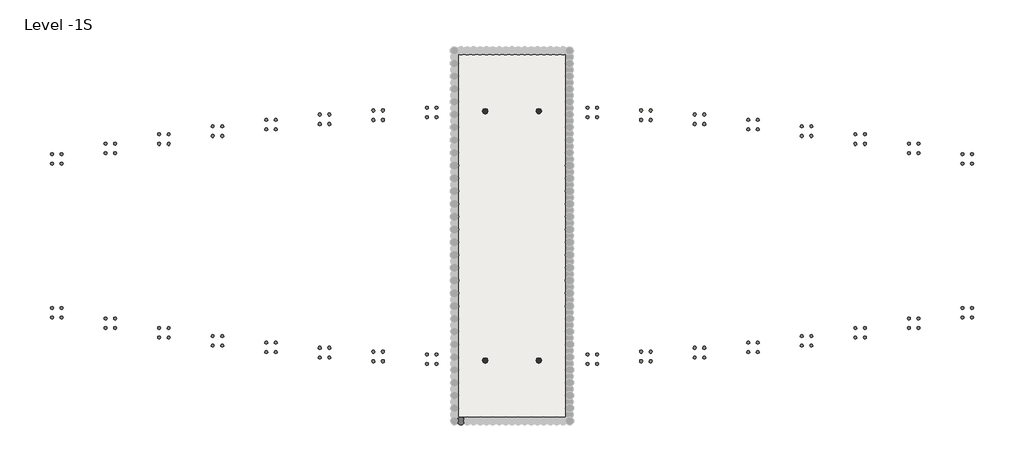
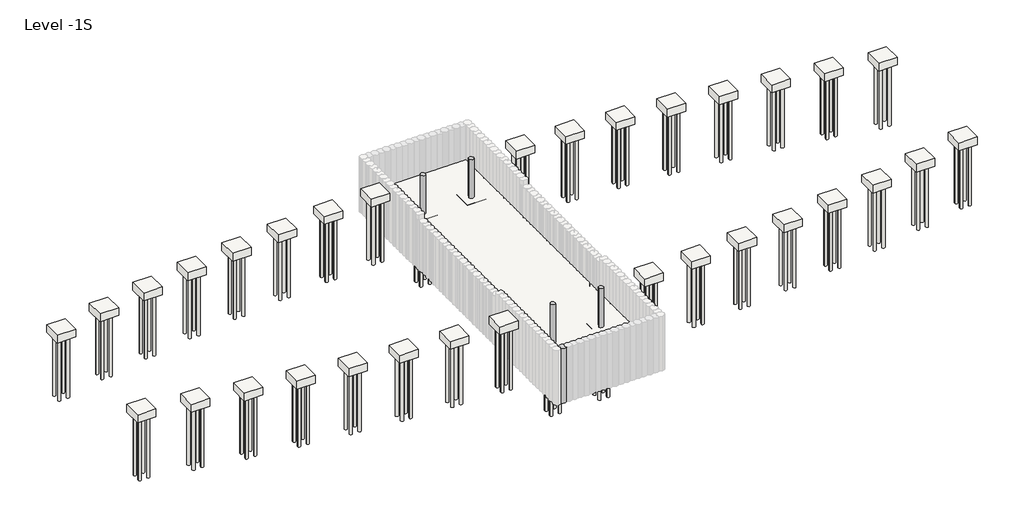
# One storey, part 4 of 5: 37 slabs, 4 columns, 1 proxy.
"""IFC4 building model written with IfcOpenShell, lengths in millimetres."""

import ifcopenshell
import ifcopenshell.guid

model = None  # the IFC model being written
_history = None  # IfcOwnerHistory: only IFC2X3 demands one
_inside = {}  # id of a spatial element -> (the spatial element, [elements in it])
_under = {}  # id of a project, library or spatial element -> (it, [spatial elements below it])
_declared = {}  # id of a project -> (the project, [libraries it declares])
_typed = {}  # id of a type object -> (the type object, [elements of that type])
_made_of = {}  # id of a material, layer set ... -> (it, [elements and type objects made of it])


def new_model(schema):
    """Start an empty IFC model of exactly this schema.

    Asked for "IFC4X3", IfcOpenShell would pick the latest addendum, in which some entities
    have other attributes; the version numbers below select the first issue.
    IFC2X3 requires an IfcOwnerHistory on every rooted entity: one is made here for all.
    """
    global model, _history
    if schema == "IFC4X3":
        model = ifcopenshell.file(schema_version=(4, 3, 0, 0))
    else:
        model = ifcopenshell.file(schema=schema)
    _inside.clear()
    _under.clear()
    _declared.clear()
    _typed.clear()
    _made_of.clear()
    _history = None
    if model.schema == "IFC2X3":
        org = make("IfcOrganization", Name="unknown")
        user = make(
            "IfcPersonAndOrganization",
            ThePerson=make("IfcPerson", FamilyName="unknown"),
            TheOrganization=org,
        )
        app = make(
            "IfcApplication",
            ApplicationDeveloper=org,
            Version="unknown",
            ApplicationFullName="unknown",
            ApplicationIdentifier="unknown",
        )
        _history = make(
            "IfcOwnerHistory",
            OwningUser=user,
            OwningApplication=app,
            ChangeAction="ADDED",
            CreationDate=0,
        )
    return model


def make(cls, **values):
    """One entity of the class cls with the attributes given. An attribute that is None is left unset."""
    return model.create_entity(
        cls, **{name: value for name, value in values.items() if value is not None}
    )


def rooted(cls, **values):
    """An entity with a GlobalId (a new one), such as an element, a storey or a relation."""
    return make(cls, GlobalId=ifcopenshell.guid.new(), OwnerHistory=_history, **values)


def si_unit(unit_type, name, prefix=None):
    """IfcSIUnit, for example si_unit("LENGTHUNIT", "METRE", prefix="MILLI")."""
    return make("IfcSIUnit", UnitType=unit_type, Prefix=prefix, Name=name)


def assignment(units):
    """IfcUnitAssignment: the units of a project."""
    return None if units is None else make("IfcUnitAssignment", Units=units)


def point(xyz):
    """IfcCartesianPoint."""
    return None if xyz is None else make("IfcCartesianPoint", Coordinates=xyz)


def direction(xyz):
    """IfcDirection."""
    return None if xyz is None else make("IfcDirection", DirectionRatios=xyz)


def frame(location, z_axis=None, x_axis=None):
    """IfcAxis2Placement3D, a coordinate frame: its origin and axes. An axis left out is left unset."""
    return make(
        "IfcAxis2Placement3D",
        Location=point(location),
        Axis=direction(z_axis),
        RefDirection=direction(x_axis),
    )


def frame_2d(location, x_axis=None):
    """IfcAxis2Placement2D, a coordinate frame in the plane: its origin and x axis."""
    return make(
        "IfcAxis2Placement2D", Location=point(location), RefDirection=direction(x_axis)
    )


def origin():
    """The frame at (0, 0, 0) with its axes left unset."""
    return frame((0.0, 0.0, 0.0))


def origin_2d():
    """The frame at (0, 0) in the plane with its x axis left unset."""
    return frame_2d((0.0, 0.0))


def place(relative_to, where):
    """IfcLocalPlacement: puts the frame where relative to a parent placement (None: the world)."""
    return make(
        "IfcLocalPlacement", PlacementRelTo=relative_to, RelativePlacement=where
    )


def context(
    kind, dimensions, precision=None, world=None, true_north=None, identifier=None
):
    """IfcGeometricRepresentationContext, for example the 3D "Model" context."""
    return make(
        "IfcGeometricRepresentationContext",
        ContextIdentifier=identifier,
        ContextType=kind,
        CoordinateSpaceDimension=dimensions,
        Precision=precision,
        WorldCoordinateSystem=world,
        TrueNorth=true_north,
    )


def project(units=None, contexts=None):
    """IfcProject with its units and contexts."""
    return rooted(
        "IfcProject",
        Name="project",
        RepresentationContexts=contexts,
        UnitsInContext=assignment(units),
    )


def spatial(cls, under=None, at=None, **own):
    """A site, building, storey or space (cls), placed at a placement, below another one or the project."""
    s = rooted(cls, ObjectPlacement=at, **own)
    if under is not None:
        _under.setdefault(under.id(), (under, []))[1].append(s)
    return s


def polyline(points):
    """IfcPolyline through the points."""
    return make("IfcPolyline", Points=[point(p) for p in points])


def circle_curve(where, radius):
    """IfcCircle in the frame where."""
    return make("IfcCircle", Position=where, Radius=radius)


def trimmed(basis, trim1, trim2, sense, master):
    """IfcTrimmedCurve: the piece of a basis curve between two trims."""
    return make(
        "IfcTrimmedCurve",
        BasisCurve=basis,
        Trim1=trim1,
        Trim2=trim2,
        SenseAgreement=sense,
        MasterRepresentation=master,
    )


def segment(curve, same_sense, transition):
    """IfcCompositeCurveSegment."""
    return make(
        "IfcCompositeCurveSegment",
        Transition=transition,
        SameSense=same_sense,
        ParentCurve=curve,
    )


def composite_curve(segments, self_intersect=None):
    """IfcCompositeCurve: segments joined end to end."""
    return make("IfcCompositeCurve", Segments=segments, SelfIntersect=self_intersect)


def outline(outer, holes=None, kind="AREA"):
    """IfcArbitraryClosedProfileDef: a profile drawn as a closed curve; with holes, ...WithVoids."""
    if holes is None:
        return make("IfcArbitraryClosedProfileDef", ProfileType=kind, OuterCurve=outer)
    return make(
        "IfcArbitraryProfileDefWithVoids",
        ProfileType=kind,
        OuterCurve=outer,
        InnerCurves=holes,
    )


def extrude(swept, where, along, depth):
    """IfcExtrudedAreaSolid: the profile swept, set in the frame where, extruded along a direction by depth."""
    return make(
        "IfcExtrudedAreaSolid",
        SweptArea=swept,
        Position=where,
        ExtrudedDirection=direction(along),
        Depth=depth,
    )


def shape(context_of_items, identifier, shape_type, items):
    """IfcShapeRepresentation: the items that make up one representation, for example the "Body"."""
    return make(
        "IfcShapeRepresentation",
        ContextOfItems=context_of_items,
        RepresentationIdentifier=identifier,
        RepresentationType=shape_type,
        Items=items,
    )


def source(mapping_origin, context_of_items, identifier, shape_type, items):
    """IfcRepresentationMap: a shape defined once, which mapped items show again and again."""
    return make(
        "IfcRepresentationMap",
        MappingOrigin=mapping_origin,
        MappedRepresentation=shape(context_of_items, identifier, shape_type, items),
    )


def transform(
    local_origin,
    x_axis=None,
    y_axis=None,
    z_axis=None,
    scale=None,
    scale2=None,
    scale3=None,
    uniform=True,
):
    """IfcCartesianTransformationOperator3D, or its non-uniform kind. x_axis, y_axis, z_axis: its Axis1, 2, 3."""
    if uniform:
        return make(
            "IfcCartesianTransformationOperator3D",
            Axis1=direction(x_axis),
            Axis2=direction(y_axis),
            LocalOrigin=point(local_origin),
            Scale=scale,
            Axis3=direction(z_axis),
        )
    return make(
        "IfcCartesianTransformationOperator3DnonUniform",
        Axis1=direction(x_axis),
        Axis2=direction(y_axis),
        LocalOrigin=point(local_origin),
        Scale=scale,
        Axis3=direction(z_axis),
        Scale2=scale2,
        Scale3=scale3,
    )


def mapped(mapping_source, mapping_target):
    """IfcMappedItem: shows the shape of a source again, moved by a transform."""
    return make(
        "IfcMappedItem", MappingSource=mapping_source, MappingTarget=mapping_target
    )


def made_of(thing, what):
    """Note that an element or type object is made of a material, layer set ...; save() writes the relation."""
    if what is not None:
        _made_of.setdefault(what.id(), (what, []))[1].append(thing)
    return thing


def element(
    cls,
    number,
    at=None,
    inside=None,
    cuts=None,
    type_object=None,
    material=None,
    context=None,
    identifier="Body",
    shape_type=None,
    held_by="IfcProductDefinitionShape",
    body=None,
    shapes=None,
    **own,
):
    """One element of the class cls, such as IfcWall. Its Tag is "e" and its number.

    at: its placement. inside: the storey or other place that contains it. cuts: it is an
    opening in that element (IfcRelVoidsElement). A single representation is given by context,
    identifier, shape_type and body (its items); several are given by shapes. held_by: the class
    of the entity that holds the representations. save() writes the other relations.
    """
    e = rooted(cls, Tag="e%d" % number, ObjectPlacement=at, **own)
    if body is not None:
        shapes = [shape(context, identifier, shape_type, body)]
    if shapes is not None:
        e.Representation = make(held_by, Representations=shapes)
    if inside is not None:
        _inside.setdefault(inside.id(), (inside, []))[1].append(e)
    if cuts is not None:
        rooted(
            "IfcRelVoidsElement", RelatingBuildingElement=cuts, RelatedOpeningElement=e
        )
    if type_object is not None:
        _typed.setdefault(type_object.id(), (type_object, []))[1].append(e)
    return made_of(e, material)


def aggregate(whole, parts):
    """IfcRelAggregates: a whole, such as a stair, and the parts it consists of."""
    return rooted("IfcRelAggregates", RelatingObject=whole, RelatedObjects=parts)


def save(model, path):
    """Write the relations noted so far, then the file.

    IfcRelAggregates (storeys below a building ...), IfcRelContainedInSpatialStructure (elements
    in a storey), IfcRelDefinesByType, IfcRelAssociatesMaterial and IfcRelDeclares: one each for
    every whole, place, type object, material and project.
    """
    for whole, parts in _under.values():
        aggregate(whole, parts)
    for where, things in _inside.values():
        rooted(
            "IfcRelContainedInSpatialStructure",
            RelatedElements=things,
            RelatingStructure=where,
        )
    for kind, things in _typed.values():
        rooted("IfcRelDefinesByType", RelatedObjects=things, RelatingType=kind)
    for what, things in _made_of.values():
        rooted("IfcRelAssociatesMaterial", RelatedObjects=things, RelatingMaterial=what)
    for by, libraries in _declared.values():
        rooted("IfcRelDeclares", RelatingContext=by, RelatedDefinitions=libraries)
    model.write(path)


def plane_surface(at):
    """IfcPlane: the flat surface through the origin of the frame at, square to its z axis."""
    return make("IfcPlane", Position=at)


def revolved_surface(curve, axis_point, axis_direction):
    """IfcSurfaceOfRevolution: the curve turned about the line through axis_point along axis_direction."""
    return make(
        "IfcSurfaceOfRevolution",
        SweptCurve=make("IfcArbitraryOpenProfileDef", ProfileType="CURVE", Curve=curve),
        AxisPosition=make("IfcAxis1Placement", Location=point(axis_point), Axis=direction(axis_direction)),
    )


def advanced_brep(points, edges, surfaces, faces):
    """IfcAdvancedBrep: a solid bounded by faces that lie on surfaces and meet in shared edges.

    An edge is (start, end): straight between two places in points (the first is 0);
    or (start, end, curve); or (start, end, curve, False) where it runs against its curve.
    A face is (place in surfaces, loops), or (place, loops, False) where it looks against
    its surface's normal. A loop lists edges by number (the first is 1), with a minus sign
    where the edge is run from its end to its start. The first loop is the outer one.
    """
    corners = [point(p) for p in points]
    vertices = [make("IfcVertexPoint", VertexGeometry=c) for c in corners]
    made = []
    for start, end, *more in edges:
        made.append(
            make(
                "IfcEdgeCurve",
                EdgeStart=vertices[start],
                EdgeEnd=vertices[end],
                EdgeGeometry=more[0] if more else make("IfcPolyline", Points=[corners[start], corners[end]]),
                SameSense=more[1] if len(more) > 1 else True,
            )
        )
    hull = []
    for where, loops, *sense in faces:
        bounds = []
        for j, loop in enumerate(loops):
            ring = [make("IfcOrientedEdge", EdgeElement=made[abs(k) - 1], Orientation=k > 0) for k in loop]
            bounds.append(
                make(
                    "IfcFaceOuterBound" if j == 0 else "IfcFaceBound",
                    Bound=make("IfcEdgeLoop", EdgeList=ring),
                    Orientation=True,
                )
            )
        hull.append(make("IfcAdvancedFace", Bounds=bounds, FaceSurface=surfaces[where], SameSense=sense[0] if sense else True))
    return make("IfcAdvancedBrep", Outer=make("IfcClosedShell", CfsFaces=hull))


def generic_models_2b99ec21(model_context):
    return source(origin(), model_context, "Body", "SweptSolid", [
        extrude(outline(composite_curve([segment(trimmed(circle_curve(frame_2d((702.0, 0.0)), 440.0), [point((363.8205128, 281.4864729))], [point((1040.1794872, 281.4864729))], False, "CARTESIAN"), True, "CONTINUOUS"), segment(trimmed(circle_curve(frame_2d((1404.0, 0.0)), 460.0), [point((1040.1794872, 281.4864729))], [point((1040.1794872, -281.4864729))], True, "CARTESIAN"), True, "CONTINUOUS"), segment(trimmed(circle_curve(frame_2d((702.0, 0.0)), 440.0), [point((1040.1794872, -281.4864729))], [point((363.8205128, -281.4864729))], False, "CARTESIAN"), True, "CONTINUOUS"), segment(trimmed(circle_curve(origin_2d(), 460.0), [point((363.8205128, -281.4864729))], [point((460.0, 0.0))], True, "CARTESIAN"), True, "CONTINUOUS"), segment(trimmed(circle_curve(origin_2d(), 460.0), [point((460.0, 0.0))], [point((363.8205128, 281.4864729))], True, "CARTESIAN"), True, "CONTINUOUS")], self_intersect=False)), frame((0.0, 0.0, -7000.0), z_axis=(0.0, 0.0, 1.0), x_axis=(1.0, 0.0, 0.0)), (0.0, 0.0, 1.0), 7000.0),
        extrude(outline(composite_curve([segment(trimmed(circle_curve(origin_2d(), 460.0), [point((-460.0, 0.0))], [point((460.0, 0.0))], False, "CARTESIAN"), True, "CONTINUOUS"), segment(trimmed(circle_curve(origin_2d(), 460.0), [point((460.0, 0.0))], [point((-460.0, 0.0))], False, "CARTESIAN"), True, "CONTINUOUS")], self_intersect=False)), frame((0.0, 0.0, -7000.0), z_axis=(0.0, 0.0, 1.0), x_axis=(1.0, 0.0, 0.0)), (0.0, 0.0, 1.0), 7000.0),
    ])


def pile_cap_4_round_pile_standard_08d82b39(model_context):
    return source(origin(), model_context, "Body", "SolidModel", [
        extrude(outline(composite_curve([segment(trimmed(circle_curve(frame_2d((525.0, -525.0)), 175.0), [point((350.0, -525.0))], [point((700.0, -525.0))], False, "CARTESIAN"), True, "CONTINUOUS"), segment(trimmed(circle_curve(frame_2d((525.0, -525.0)), 175.0), [point((700.0, -525.0))], [point((350.0, -525.0))], False, "CARTESIAN"), True, "CONTINUOUS")], self_intersect=False)), frame((0.0, 0.0, -8925.0), z_axis=(0.0, 0.0, 1.0), x_axis=(1.0, 0.0, 0.0)), (0.0, 0.0, 1.0), 8000.0),
        extrude(outline(composite_curve([segment(trimmed(circle_curve(frame_2d((-525.0, -525.0)), 175.0), [point((-700.0, -525.0))], [point((-350.0, -525.0))], False, "CARTESIAN"), True, "CONTINUOUS"), segment(trimmed(circle_curve(frame_2d((-525.0, -525.0)), 175.0), [point((-350.0, -525.0))], [point((-700.0, -525.0))], False, "CARTESIAN"), True, "CONTINUOUS")], self_intersect=False)), frame((0.0, 0.0, -8925.0), z_axis=(0.0, 0.0, 1.0), x_axis=(1.0, 0.0, 0.0)), (0.0, 0.0, 1.0), 8000.0),
        extrude(outline(composite_curve([segment(trimmed(circle_curve(frame_2d((525.0, 525.0)), 175.0), [point((350.0, 525.0))], [point((700.0, 525.0))], False, "CARTESIAN"), True, "CONTINUOUS"), segment(trimmed(circle_curve(frame_2d((525.0, 525.0)), 175.0), [point((700.0, 525.0))], [point((350.0, 525.0))], False, "CARTESIAN"), True, "CONTINUOUS")], self_intersect=False)), frame((0.0, 0.0, -8925.0), z_axis=(0.0, 0.0, 1.0), x_axis=(1.0, 0.0, 0.0)), (0.0, 0.0, 1.0), 8000.0),
        extrude(outline(composite_curve([segment(trimmed(circle_curve(frame_2d((-525.0, 525.0)), 175.0), [point((-700.0, 525.0))], [point((-350.0, 525.0))], False, "CARTESIAN"), True, "CONTINUOUS"), segment(trimmed(circle_curve(frame_2d((-525.0, 525.0)), 175.0), [point((-350.0, 525.0))], [point((-700.0, 525.0))], False, "CARTESIAN"), True, "CONTINUOUS")], self_intersect=False)), frame((0.0, 0.0, -8925.0), z_axis=(0.0, 0.0, 1.0), x_axis=(1.0, 0.0, 0.0)), (0.0, 0.0, 1.0), 8000.0),
        advanced_brep(
        [(1125.0, 1125.0, 0.0), (-1125.0, 1125.0, 0.0), (-1125.0, -1125.0, 0.0), (1125.0, -1125.0, 0.0), (1125.0, 1125.0, -1000.0), (1125.0, -1125.0, -1000.0), (-1125.0, -1125.0, -1000.0), (-1125.0, 1125.0, -1000.0), (-700.0, 525.0, -1000.0), (-350.0, 525.0, -1000.0), (350.0, 525.0, -1000.0), (700.0, 525.0, -1000.0), (-700.0, -525.0, -1000.0), (-350.0, -525.0, -1000.0), (350.0, -525.0, -1000.0), (700.0, -525.0, -1000.0), (-700.0, 525.0, -925.0), (-350.0, 525.0, -925.0), (350.0, 525.0, -925.0), (700.0, 525.0, -925.0), (-700.0, -525.0, -925.0), (-350.0, -525.0, -925.0), (350.0, -525.0, -925.0), (700.0, -525.0, -925.0)],
        [
            (0, 1),
            (1, 2),
            (2, 3),
            (3, 0),
            (4, 5),
            (5, 6),
            (6, 7),
            (7, 4),
            (8, 9, circle_curve(frame((-525.0, 525.0, -1000.0), z_axis=(0.0, 0.0, 1.0), x_axis=(1.0, 0.0, 0.0)), 175.0)),
            (9, 8, circle_curve(frame((-525.0, 525.0, -1000.0), z_axis=(0.0, 0.0, 1.0), x_axis=(1.0, 0.0, 0.0)), 175.0)),
            (10, 11, circle_curve(frame((525.0, 525.0, -1000.0), z_axis=(0.0, 0.0, 1.0), x_axis=(1.0, 0.0, 0.0)), 175.0)),
            (11, 10, circle_curve(frame((525.0, 525.0, -1000.0), z_axis=(0.0, 0.0, 1.0), x_axis=(1.0, 0.0, 0.0)), 175.0)),
            (12, 13, circle_curve(frame((-525.0, -525.0, -1000.0), z_axis=(0.0, 0.0, 1.0), x_axis=(1.0, 0.0, 0.0)), 175.0)),
            (13, 12, circle_curve(frame((-525.0, -525.0, -1000.0), z_axis=(0.0, 0.0, 1.0), x_axis=(1.0, 0.0, 0.0)), 175.0)),
            (14, 15, circle_curve(frame((525.0, -525.0, -1000.0), z_axis=(0.0, 0.0, 1.0), x_axis=(1.0, 0.0, 0.0)), 175.0)),
            (15, 14, circle_curve(frame((525.0, -525.0, -1000.0), z_axis=(0.0, 0.0, 1.0), x_axis=(1.0, 0.0, 0.0)), 175.0)),
            (0, 4),
            (7, 1),
            (6, 2),
            (5, 3),
            (16, 17, circle_curve(frame((-525.0, 525.0, -925.0), z_axis=(0.0, 0.0, -1.0), x_axis=(1.0, 0.0, 0.0)), 175.0)),
            (17, 16, circle_curve(frame((-525.0, 525.0, -925.0), z_axis=(0.0, 0.0, -1.0), x_axis=(1.0, 0.0, 0.0)), 175.0)),
            (18, 19, circle_curve(frame((525.0, 525.0, -925.0), z_axis=(0.0, 0.0, -1.0), x_axis=(1.0, 0.0, 0.0)), 175.0)),
            (19, 18, circle_curve(frame((525.0, 525.0, -925.0), z_axis=(0.0, 0.0, -1.0), x_axis=(1.0, 0.0, 0.0)), 175.0)),
            (20, 21, circle_curve(frame((-525.0, -525.0, -925.0), z_axis=(0.0, 0.0, -1.0), x_axis=(1.0, 0.0, 0.0)), 175.0)),
            (21, 20, circle_curve(frame((-525.0, -525.0, -925.0), z_axis=(0.0, 0.0, -1.0), x_axis=(1.0, 0.0, 0.0)), 175.0)),
            (22, 23, circle_curve(frame((525.0, -525.0, -925.0), z_axis=(0.0, 0.0, -1.0), x_axis=(1.0, 0.0, 0.0)), 175.0)),
            (23, 22, circle_curve(frame((525.0, -525.0, -925.0), z_axis=(0.0, 0.0, -1.0), x_axis=(1.0, 0.0, 0.0)), 175.0)),
            (17, 9),
            (8, 16),
            (19, 11),
            (10, 18),
            (21, 13),
            (12, 20),
            (23, 15),
            (14, 22),
        ],
        [
            plane_surface(frame((-1125.0, 1125.0, 0.0), z_axis=(0.0, 0.0, 1.0), x_axis=(-1.0, 0.0, 0.0))),
            plane_surface(frame((-1125.0, 1125.0, -1000.0), z_axis=(0.0, 0.0, -1.0), x_axis=(1.0, 0.0, 0.0))),
            plane_surface(frame((1125.0, 1125.0, 0.0), z_axis=(0.0, 1.0, 0.0), x_axis=(0.0, 0.0, -1.0))),
            plane_surface(frame((-1125.0, 1125.0, 0.0), z_axis=(-1.0, 0.0, 0.0), x_axis=(0.0, 0.0, -1.0))),
            plane_surface(frame((-1125.0, -1125.0, 0.0), z_axis=(0.0, -1.0, 0.0), x_axis=(0.0, 0.0, -1.0))),
            plane_surface(frame((1125.0, -1125.0, 0.0), z_axis=(1.0, 0.0, 0.0), x_axis=(0.0, 0.0, -1.0))),
            plane_surface(frame((-350.0, 525.0, -925.0), z_axis=(0.0, 0.0, -1.0), x_axis=(0.0, 1.0, 0.0))),
            revolved_surface(polyline([(-350.0, 525.0, -925.0), (-350.0, 525.0, -1000.0)]), (-525.0, 525.0, -1000.0), (0.0, 0.0, 1.0)),
            revolved_surface(polyline([(700.0, 525.0, -925.0), (700.0, 525.0, -1000.0)]), (525.0, 525.0, 0.0), (0.0, 0.0, 1.0)),
            revolved_surface(polyline([(-350.0, -525.0, -925.0), (-350.0, -525.0, -1000.0)]), (-525.0, -525.0, 0.0), (0.0, 0.0, 1.0)),
            revolved_surface(polyline([(700.0, -525.0, -925.0), (700.0, -525.0, -1000.0)]), (525.0, -525.0, 0.0), (0.0, 0.0, 1.0)),
        ],
        [
            (0, [[1, 2, 3, 4]]),
            (1, [[5, 6, 7, 8], [9, 10], [11, 12], [13, 14], [15, 16]]),
            (2, [[-1, 17, -8, 18]]),
            (3, [[-2, -18, -7, 19]]),
            (4, [[-3, -19, -6, 20]]),
            (5, [[-4, -20, -5, -17]]),
            (6, [[21, 22]]),
            (6, [[23, 24]]),
            (6, [[25, 26]]),
            (6, [[27, 28]]),
            (7, [[-22, 29, -9, 30]]),
            (7, [[-21, -30, -10, -29]]),
            (8, [[-24, 31, -11, 32]]),
            (8, [[-23, -32, -12, -31]]),
            (9, [[-26, 33, -13, 34]]),
            (9, [[-25, -34, -14, -33]]),
            (10, [[-28, 35, -15, 36]]),
            (10, [[-27, -36, -16, -35]]),
        ],
    ),
    ])


model = new_model("IFC4")

# Units and contexts
model_context = context("Model", 3, world=origin())
ifc_project = project(units=[si_unit("LENGTHUNIT", "METRE", prefix="MILLI")], contexts=[model_context])

# Site, building, storey
site = spatial("IfcSite", under=ifc_project)
building = spatial("IfcBuilding", under=site)
storey = spatial("IfcBuildingStorey", under=building, Name="Level -1S", Elevation=-5100.0)

# Proxy
placement = place(None, origin())
generic_models_shape = generic_models_2b99ec21(model_context)
element("IfcBuildingElementProxy", 1, Name="Generic Models", at=placement, inside=storey, context=model_context, shape_type="MappedRepresentation", body=[
    mapped(generic_models_shape, transform((-25.5749186, 259.7751014, -700.0), x_axis=(1.0, 0.0, 0.0), y_axis=(0.0, 1.0, 0.0), z_axis=(0.0, 0.0, 1.0))),
])

# Columns
element("IfcColumn", 2, ObjectType="Concrete Round : 600mm", at=placement, inside=storey, context=model_context, shape_type="SweptSolid", body=[
    extrude(outline(composite_curve([segment(trimmed(circle_curve(frame_2d((3351.2476633, 6915.9749688)), 300.0), [point((3051.2476633, 6915.9749688))], [point((3651.2476633, 6915.9749688))], False, "CARTESIAN"), True, "CONTINUOUS"), segment(trimmed(circle_curve(frame_2d((3351.2476633, 6915.9749688)), 300.0), [point((3651.2476633, 6915.9749688))], [point((3051.2476633, 6915.9749688))], False, "CARTESIAN"), True, "CONTINUOUS")], self_intersect=False)), frame((0.0, 0.0, -5100.0), z_axis=(0.0, 0.0, 1.0), x_axis=(1.0, 0.0, 0.0)), (0.0, 0.0, 1.0), 5000.0),
])
element("IfcColumn", 3, ObjectType="Concrete Round : 600mm", at=placement, inside=storey, context=model_context, shape_type="SweptSolid", body=[
    extrude(outline(composite_curve([segment(trimmed(circle_curve(frame_2d((9233.6024995, 6915.9749688)), 300.0), [point((8933.6024995, 6915.9749688))], [point((9533.6024995, 6915.9749688))], False, "CARTESIAN"), True, "CONTINUOUS"), segment(trimmed(circle_curve(frame_2d((9233.6024995, 6915.9749688)), 300.0), [point((9533.6024995, 6915.9749688))], [point((8933.6024995, 6915.9749688))], False, "CARTESIAN"), True, "CONTINUOUS")], self_intersect=False)), frame((0.0, 0.0, -5100.0), z_axis=(0.0, 0.0, 1.0), x_axis=(1.0, 0.0, 0.0)), (0.0, 0.0, 1.0), 5000.0),
])
element("IfcColumn", 4, ObjectType="Concrete Round : 600mm", at=placement, inside=storey, context=model_context, shape_type="SweptSolid", body=[
    extrude(outline(composite_curve([segment(trimmed(circle_curve(frame_2d((3351.2476633, 34319.5752339)), 300.0), [point((3051.2476633, 34319.5752339))], [point((3651.2476633, 34319.5752339))], False, "CARTESIAN"), True, "CONTINUOUS"), segment(trimmed(circle_curve(frame_2d((3351.2476633, 34319.5752339)), 300.0), [point((3651.2476633, 34319.5752339))], [point((3051.2476633, 34319.5752339))], False, "CARTESIAN"), True, "CONTINUOUS")], self_intersect=False)), frame((0.0, 0.0, -5100.0), z_axis=(0.0, 0.0, 1.0), x_axis=(1.0, 0.0, 0.0)), (0.0, 0.0, 1.0), 5000.0),
])
element("IfcColumn", 5, ObjectType="Concrete Round : 600mm", at=placement, inside=storey, context=model_context, shape_type="SweptSolid", body=[
    extrude(outline(composite_curve([segment(trimmed(circle_curve(frame_2d((9233.6024995, 34319.5752339)), 300.0), [point((8933.6024995, 34319.5752339))], [point((9533.6024995, 34319.5752339))], False, "CARTESIAN"), True, "CONTINUOUS"), segment(trimmed(circle_curve(frame_2d((9233.6024995, 34319.5752339)), 300.0), [point((9533.6024995, 34319.5752339))], [point((8933.6024995, 34319.5752339))], False, "CARTESIAN"), True, "CONTINUOUS")], self_intersect=False)), frame((0.0, 0.0, -5100.0), z_axis=(0.0, 0.0, 1.0), x_axis=(1.0, 0.0, 0.0)), (0.0, 0.0, 1.0), 5000.0),
])

# Slabs
element("IfcSlab", 6, ObjectType="Concrete 300mm", at=placement, inside=storey, context=model_context, shape_type="SweptSolid", body=[
    extrude(outline(polyline([(12150.42816, 717.7751014), (434.4250814, 717.7751014), (434.4250814, 40515.7751014), (12150.42816, 40515.7751014), (12150.42816, 717.7751014)])), frame((0.0, 0.0, -5400.0), z_axis=(0.0, 0.0, 1.0), x_axis=(1.0, 0.0, 0.0)), (0.0, 0.0, 1.0), 300.0),
])
element("IfcSlab", 7, ObjectType="Pile Cap-4 Round Pile : Standard", at=placement, inside=storey, context=model_context, shape_type="SolidModel", body=[
    advanced_brep(
    [(4476.2476633, 8040.9749688, -5100.0), (2226.2476633, 8040.9749688, -5100.0), (2226.2476633, 5790.9749688, -5100.0), (4476.2476633, 5790.9749688, -5100.0), (4476.2476633, 8040.9749688, -6100.0), (4476.2476633, 5790.9749688, -6100.0), (2226.2476633, 5790.9749688, -6100.0), (2226.2476633, 8040.9749688, -6100.0), (2651.2476633, 7440.9749688, -6100.0), (3001.2476633, 7440.9749688, -6100.0), (3701.2476633, 7440.9749688, -6100.0), (4051.2476633, 7440.9749688, -6100.0), (2651.2476633, 6390.9749688, -6100.0), (3001.2476633, 6390.9749688, -6100.0), (3701.2476633, 6390.9749688, -6100.0), (4051.2476633, 6390.9749688, -6100.0), (2651.2476633, 7440.9749688, -6025.0), (3001.2476633, 7440.9749688, -6025.0), (3701.2476633, 7440.9749688, -6025.0), (4051.2476633, 7440.9749688, -6025.0), (2651.2476633, 6390.9749688, -6025.0), (3001.2476633, 6390.9749688, -6025.0), (3701.2476633, 6390.9749688, -6025.0), (4051.2476633, 6390.9749688, -6025.0)],
    [
        (0, 1),
        (1, 2),
        (2, 3),
        (3, 0),
        (4, 5),
        (5, 6),
        (6, 7),
        (7, 4),
        (8, 9, circle_curve(frame((2826.2476633, 7440.9749688, -6100.0), z_axis=(0.0, 0.0, 1.0), x_axis=(1.0, 0.0, 0.0)), 175.0)),
        (9, 8, circle_curve(frame((2826.2476633, 7440.9749688, -6100.0), z_axis=(0.0, 0.0, 1.0), x_axis=(1.0, 0.0, 0.0)), 175.0)),
        (10, 11, circle_curve(frame((3876.2476633, 7440.9749688, -6100.0), z_axis=(0.0, 0.0, 1.0), x_axis=(1.0, 0.0, 0.0)), 175.0)),
        (11, 10, circle_curve(frame((3876.2476633, 7440.9749688, -6100.0), z_axis=(0.0, 0.0, 1.0), x_axis=(1.0, 0.0, 0.0)), 175.0)),
        (12, 13, circle_curve(frame((2826.2476633, 6390.9749688, -6100.0), z_axis=(0.0, 0.0, 1.0), x_axis=(1.0, 0.0, 0.0)), 175.0)),
        (13, 12, circle_curve(frame((2826.2476633, 6390.9749688, -6100.0), z_axis=(0.0, 0.0, 1.0), x_axis=(1.0, 0.0, 0.0)), 175.0)),
        (14, 15, circle_curve(frame((3876.2476633, 6390.9749688, -6100.0), z_axis=(0.0, 0.0, 1.0), x_axis=(1.0, 0.0, 0.0)), 175.0)),
        (15, 14, circle_curve(frame((3876.2476633, 6390.9749688, -6100.0), z_axis=(0.0, 0.0, 1.0), x_axis=(1.0, 0.0, 0.0)), 175.0)),
        (0, 4),
        (7, 1),
        (6, 2),
        (5, 3),
        (16, 17, circle_curve(frame((2826.2476633, 7440.9749688, -6025.0), z_axis=(0.0, 0.0, -1.0), x_axis=(1.0, 0.0, 0.0)), 175.0)),
        (17, 16, circle_curve(frame((2826.2476633, 7440.9749688, -6025.0), z_axis=(0.0, 0.0, -1.0), x_axis=(1.0, 0.0, 0.0)), 175.0)),
        (18, 19, circle_curve(frame((3876.2476633, 7440.9749688, -6025.0), z_axis=(0.0, 0.0, -1.0), x_axis=(1.0, 0.0, 0.0)), 175.0)),
        (19, 18, circle_curve(frame((3876.2476633, 7440.9749688, -6025.0), z_axis=(0.0, 0.0, -1.0), x_axis=(1.0, 0.0, 0.0)), 175.0)),
        (20, 21, circle_curve(frame((2826.2476633, 6390.9749688, -6025.0), z_axis=(0.0, 0.0, -1.0), x_axis=(1.0, 0.0, 0.0)), 175.0)),
        (21, 20, circle_curve(frame((2826.2476633, 6390.9749688, -6025.0), z_axis=(0.0, 0.0, -1.0), x_axis=(1.0, 0.0, 0.0)), 175.0)),
        (22, 23, circle_curve(frame((3876.2476633, 6390.9749688, -6025.0), z_axis=(0.0, 0.0, -1.0), x_axis=(1.0, 0.0, 0.0)), 175.0)),
        (23, 22, circle_curve(frame((3876.2476633, 6390.9749688, -6025.0), z_axis=(0.0, 0.0, -1.0), x_axis=(1.0, 0.0, 0.0)), 175.0)),
        (17, 9),
        (8, 16),
        (19, 11),
        (10, 18),
        (21, 13),
        (12, 20),
        (23, 15),
        (14, 22),
    ],
    [
        plane_surface(frame((2226.2476633, 8040.9749688, -5100.0), z_axis=(0.0, 0.0, 1.0), x_axis=(-1.0, 0.0, 0.0))),
        plane_surface(frame((2226.2476633, 8040.9749688, -6100.0), z_axis=(0.0, 0.0, -1.0), x_axis=(1.0, 0.0, 0.0))),
        plane_surface(frame((4476.2476633, 8040.9749688, -5100.0), z_axis=(0.0, 1.0, 0.0), x_axis=(0.0, 0.0, -1.0))),
        plane_surface(frame((2226.2476633, 8040.9749688, -5100.0), z_axis=(-1.0, 0.0, 0.0), x_axis=(0.0, 0.0, -1.0))),
        plane_surface(frame((2226.2476633, 5790.9749688, -5100.0), z_axis=(0.0, -1.0, 0.0), x_axis=(0.0, 0.0, -1.0))),
        plane_surface(frame((4476.2476633, 5790.9749688, -5100.0), z_axis=(1.0, 0.0, 0.0), x_axis=(0.0, 0.0, -1.0))),
        plane_surface(frame((3001.2476633, 7440.9749688, -6025.0), z_axis=(0.0, 0.0, -1.0), x_axis=(0.0, 1.0, 0.0))),
        revolved_surface(polyline([(3001.2476633, 7440.9749688, -6025.0), (3001.2476633, 7440.9749688, -6100.0)]), (2826.2476633, 7440.9749688, -6100.0), (0.0, 0.0, 1.0)),
        revolved_surface(polyline([(4051.2476633, 7440.9749688, -6025.0), (4051.2476633, 7440.9749688, -6100.0)]), (3876.2476633, 7440.9749688, -5100.0), (0.0, 0.0, 1.0)),
        revolved_surface(polyline([(3001.2476633, 6390.9749688, -6025.0), (3001.2476633, 6390.9749688, -6100.0)]), (2826.2476633, 6390.9749688, -5100.0), (0.0, 0.0, 1.0)),
        revolved_surface(polyline([(4051.2476633, 6390.9749688, -6025.0), (4051.2476633, 6390.9749688, -6100.0)]), (3876.2476633, 6390.9749688, -5100.0), (0.0, 0.0, 1.0)),
    ],
    [
        (0, [[1, 2, 3, 4]]),
        (1, [[5, 6, 7, 8], [9, 10], [11, 12], [13, 14], [15, 16]]),
        (2, [[-1, 17, -8, 18]]),
        (3, [[-2, -18, -7, 19]]),
        (4, [[-3, -19, -6, 20]]),
        (5, [[-4, -20, -5, -17]]),
        (6, [[21, 22]]),
        (6, [[23, 24]]),
        (6, [[25, 26]]),
        (6, [[27, 28]]),
        (7, [[-22, 29, -9, 30]]),
        (7, [[-21, -30, -10, -29]]),
        (8, [[-24, 31, -11, 32]]),
        (8, [[-23, -32, -12, -31]]),
        (9, [[-26, 33, -13, 34]]),
        (9, [[-25, -34, -14, -33]]),
        (10, [[-28, 35, -15, 36]]),
        (10, [[-27, -36, -16, -35]]),
    ],
),
    extrude(outline(composite_curve([segment(trimmed(circle_curve(frame_2d((2826.2476633, 7440.9749688)), 175.0), [point((2651.2476633, 7440.9749688))], [point((3001.2476633, 7440.9749688))], False, "CARTESIAN"), True, "CONTINUOUS"), segment(trimmed(circle_curve(frame_2d((2826.2476633, 7440.9749688)), 175.0), [point((3001.2476633, 7440.9749688))], [point((2651.2476633, 7440.9749688))], False, "CARTESIAN"), True, "CONTINUOUS")], self_intersect=False)), frame((0.0, 0.0, -14025.0), z_axis=(0.0, 0.0, 1.0), x_axis=(1.0, 0.0, 0.0)), (0.0, 0.0, 1.0), 8000.0),
    extrude(outline(composite_curve([segment(trimmed(circle_curve(frame_2d((3876.2476633, 7440.9749688)), 175.0), [point((3701.2476633, 7440.9749688))], [point((4051.2476633, 7440.9749688))], False, "CARTESIAN"), True, "CONTINUOUS"), segment(trimmed(circle_curve(frame_2d((3876.2476633, 7440.9749688)), 175.0), [point((4051.2476633, 7440.9749688))], [point((3701.2476633, 7440.9749688))], False, "CARTESIAN"), True, "CONTINUOUS")], self_intersect=False)), frame((0.0, 0.0, -14025.0), z_axis=(0.0, 0.0, 1.0), x_axis=(1.0, 0.0, 0.0)), (0.0, 0.0, 1.0), 8000.0),
    extrude(outline(composite_curve([segment(trimmed(circle_curve(frame_2d((2826.2476633, 6390.9749688)), 175.0), [point((2651.2476633, 6390.9749688))], [point((3001.2476633, 6390.9749688))], False, "CARTESIAN"), True, "CONTINUOUS"), segment(trimmed(circle_curve(frame_2d((2826.2476633, 6390.9749688)), 175.0), [point((3001.2476633, 6390.9749688))], [point((2651.2476633, 6390.9749688))], False, "CARTESIAN"), True, "CONTINUOUS")], self_intersect=False)), frame((0.0, 0.0, -14025.0), z_axis=(0.0, 0.0, 1.0), x_axis=(1.0, 0.0, 0.0)), (0.0, 0.0, 1.0), 8000.0),
    extrude(outline(composite_curve([segment(trimmed(circle_curve(frame_2d((3876.2476633, 6390.9749688)), 175.0), [point((3701.2476633, 6390.9749688))], [point((4051.2476633, 6390.9749688))], False, "CARTESIAN"), True, "CONTINUOUS"), segment(trimmed(circle_curve(frame_2d((3876.2476633, 6390.9749688)), 175.0), [point((4051.2476633, 6390.9749688))], [point((3701.2476633, 6390.9749688))], False, "CARTESIAN"), True, "CONTINUOUS")], self_intersect=False)), frame((0.0, 0.0, -14025.0), z_axis=(0.0, 0.0, 1.0), x_axis=(1.0, 0.0, 0.0)), (0.0, 0.0, 1.0), 8000.0),
])
element("IfcSlab", 8, ObjectType="Pile Cap-4 Round Pile : Standard", at=placement, inside=storey, context=model_context, shape_type="SolidModel", body=[
    advanced_brep(
    [(10358.6024995, 8040.9749688, -5100.0), (8108.6024995, 8040.9749688, -5100.0), (8108.6024995, 5790.9749688, -5100.0), (10358.6024995, 5790.9749688, -5100.0), (10358.6024995, 8040.9749688, -6100.0), (10358.6024995, 5790.9749688, -6100.0), (8108.6024995, 5790.9749688, -6100.0), (8108.6024995, 8040.9749688, -6100.0), (8533.6024995, 7440.9749688, -6100.0), (8883.6024995, 7440.9749688, -6100.0), (9583.6024995, 7440.9749688, -6100.0), (9933.6024995, 7440.9749688, -6100.0), (8533.6024995, 6390.9749688, -6100.0), (8883.6024995, 6390.9749688, -6100.0), (9583.6024995, 6390.9749688, -6100.0), (9933.6024995, 6390.9749688, -6100.0), (8533.6024995, 7440.9749688, -6025.0), (8883.6024995, 7440.9749688, -6025.0), (9583.6024995, 7440.9749688, -6025.0), (9933.6024995, 7440.9749688, -6025.0), (8533.6024995, 6390.9749688, -6025.0), (8883.6024995, 6390.9749688, -6025.0), (9583.6024995, 6390.9749688, -6025.0), (9933.6024995, 6390.9749688, -6025.0)],
    [
        (0, 1),
        (1, 2),
        (2, 3),
        (3, 0),
        (4, 5),
        (5, 6),
        (6, 7),
        (7, 4),
        (8, 9, circle_curve(frame((8708.6024995, 7440.9749688, -6100.0), z_axis=(0.0, 0.0, 1.0), x_axis=(1.0, 0.0, 0.0)), 175.0)),
        (9, 8, circle_curve(frame((8708.6024995, 7440.9749688, -6100.0), z_axis=(0.0, 0.0, 1.0), x_axis=(1.0, 0.0, 0.0)), 175.0)),
        (10, 11, circle_curve(frame((9758.6024995, 7440.9749688, -6100.0), z_axis=(0.0, 0.0, 1.0), x_axis=(1.0, 0.0, 0.0)), 175.0)),
        (11, 10, circle_curve(frame((9758.6024995, 7440.9749688, -6100.0), z_axis=(0.0, 0.0, 1.0), x_axis=(1.0, 0.0, 0.0)), 175.0)),
        (12, 13, circle_curve(frame((8708.6024995, 6390.9749688, -6100.0), z_axis=(0.0, 0.0, 1.0), x_axis=(1.0, 0.0, 0.0)), 175.0)),
        (13, 12, circle_curve(frame((8708.6024995, 6390.9749688, -6100.0), z_axis=(0.0, 0.0, 1.0), x_axis=(1.0, 0.0, 0.0)), 175.0)),
        (14, 15, circle_curve(frame((9758.6024995, 6390.9749688, -6100.0), z_axis=(0.0, 0.0, 1.0), x_axis=(1.0, 0.0, 0.0)), 175.0)),
        (15, 14, circle_curve(frame((9758.6024995, 6390.9749688, -6100.0), z_axis=(0.0, 0.0, 1.0), x_axis=(1.0, 0.0, 0.0)), 175.0)),
        (0, 4),
        (7, 1),
        (6, 2),
        (5, 3),
        (16, 17, circle_curve(frame((8708.6024995, 7440.9749688, -6025.0), z_axis=(0.0, 0.0, -1.0), x_axis=(1.0, 0.0, 0.0)), 175.0)),
        (17, 16, circle_curve(frame((8708.6024995, 7440.9749688, -6025.0), z_axis=(0.0, 0.0, -1.0), x_axis=(1.0, 0.0, 0.0)), 175.0)),
        (18, 19, circle_curve(frame((9758.6024995, 7440.9749688, -6025.0), z_axis=(0.0, 0.0, -1.0), x_axis=(1.0, 0.0, 0.0)), 175.0)),
        (19, 18, circle_curve(frame((9758.6024995, 7440.9749688, -6025.0), z_axis=(0.0, 0.0, -1.0), x_axis=(1.0, 0.0, 0.0)), 175.0)),
        (20, 21, circle_curve(frame((8708.6024995, 6390.9749688, -6025.0), z_axis=(0.0, 0.0, -1.0), x_axis=(1.0, 0.0, 0.0)), 175.0)),
        (21, 20, circle_curve(frame((8708.6024995, 6390.9749688, -6025.0), z_axis=(0.0, 0.0, -1.0), x_axis=(1.0, 0.0, 0.0)), 175.0)),
        (22, 23, circle_curve(frame((9758.6024995, 6390.9749688, -6025.0), z_axis=(0.0, 0.0, -1.0), x_axis=(1.0, 0.0, 0.0)), 175.0)),
        (23, 22, circle_curve(frame((9758.6024995, 6390.9749688, -6025.0), z_axis=(0.0, 0.0, -1.0), x_axis=(1.0, 0.0, 0.0)), 175.0)),
        (17, 9),
        (8, 16),
        (19, 11),
        (10, 18),
        (21, 13),
        (12, 20),
        (23, 15),
        (14, 22),
    ],
    [
        plane_surface(frame((8108.6024995, 8040.9749688, -5100.0), z_axis=(0.0, 0.0, 1.0), x_axis=(-1.0, 0.0, 0.0))),
        plane_surface(frame((8108.6024995, 8040.9749688, -6100.0), z_axis=(0.0, 0.0, -1.0), x_axis=(1.0, 0.0, 0.0))),
        plane_surface(frame((10358.6024995, 8040.9749688, -5100.0), z_axis=(0.0, 1.0, 0.0), x_axis=(0.0, 0.0, -1.0))),
        plane_surface(frame((8108.6024995, 8040.9749688, -5100.0), z_axis=(-1.0, 0.0, 0.0), x_axis=(0.0, 0.0, -1.0))),
        plane_surface(frame((8108.6024995, 5790.9749688, -5100.0), z_axis=(0.0, -1.0, 0.0), x_axis=(0.0, 0.0, -1.0))),
        plane_surface(frame((10358.6024995, 5790.9749688, -5100.0), z_axis=(1.0, 0.0, 0.0), x_axis=(0.0, 0.0, -1.0))),
        plane_surface(frame((8883.6024995, 7440.9749688, -6025.0), z_axis=(0.0, 0.0, -1.0), x_axis=(0.0, 1.0, 0.0))),
        revolved_surface(polyline([(8883.6024995, 7440.9749688, -6025.0), (8883.6024995, 7440.9749688, -6100.0)]), (8708.6024995, 7440.9749688, -6100.0), (0.0, 0.0, 1.0)),
        revolved_surface(polyline([(9933.6024995, 7440.9749688, -6025.0), (9933.6024995, 7440.9749688, -6100.0)]), (9758.6024995, 7440.9749688, -5100.0), (0.0, 0.0, 1.0)),
        revolved_surface(polyline([(8883.6024995, 6390.9749688, -6025.0), (8883.6024995, 6390.9749688, -6100.0)]), (8708.6024995, 6390.9749688, -5100.0), (0.0, 0.0, 1.0)),
        revolved_surface(polyline([(9933.6024995, 6390.9749688, -6025.0), (9933.6024995, 6390.9749688, -6100.0)]), (9758.6024995, 6390.9749688, -5100.0), (0.0, 0.0, 1.0)),
    ],
    [
        (0, [[1, 2, 3, 4]]),
        (1, [[5, 6, 7, 8], [9, 10], [11, 12], [13, 14], [15, 16]]),
        (2, [[-1, 17, -8, 18]]),
        (3, [[-2, -18, -7, 19]]),
        (4, [[-3, -19, -6, 20]]),
        (5, [[-4, -20, -5, -17]]),
        (6, [[21, 22]]),
        (6, [[23, 24]]),
        (6, [[25, 26]]),
        (6, [[27, 28]]),
        (7, [[-22, 29, -9, 30]]),
        (7, [[-21, -30, -10, -29]]),
        (8, [[-24, 31, -11, 32]]),
        (8, [[-23, -32, -12, -31]]),
        (9, [[-26, 33, -13, 34]]),
        (9, [[-25, -34, -14, -33]]),
        (10, [[-28, 35, -15, 36]]),
        (10, [[-27, -36, -16, -35]]),
    ],
),
    extrude(outline(composite_curve([segment(trimmed(circle_curve(frame_2d((8708.6024995, 7440.9749688)), 175.0), [point((8533.6024995, 7440.9749688))], [point((8883.6024995, 7440.9749688))], False, "CARTESIAN"), True, "CONTINUOUS"), segment(trimmed(circle_curve(frame_2d((8708.6024995, 7440.9749688)), 175.0), [point((8883.6024995, 7440.9749688))], [point((8533.6024995, 7440.9749688))], False, "CARTESIAN"), True, "CONTINUOUS")], self_intersect=False)), frame((0.0, 0.0, -14025.0), z_axis=(0.0, 0.0, 1.0), x_axis=(1.0, 0.0, 0.0)), (0.0, 0.0, 1.0), 8000.0),
    extrude(outline(composite_curve([segment(trimmed(circle_curve(frame_2d((9758.6024995, 7440.9749688)), 175.0), [point((9583.6024995, 7440.9749688))], [point((9933.6024995, 7440.9749688))], False, "CARTESIAN"), True, "CONTINUOUS"), segment(trimmed(circle_curve(frame_2d((9758.6024995, 7440.9749688)), 175.0), [point((9933.6024995, 7440.9749688))], [point((9583.6024995, 7440.9749688))], False, "CARTESIAN"), True, "CONTINUOUS")], self_intersect=False)), frame((0.0, 0.0, -14025.0), z_axis=(0.0, 0.0, 1.0), x_axis=(1.0, 0.0, 0.0)), (0.0, 0.0, 1.0), 8000.0),
    extrude(outline(composite_curve([segment(trimmed(circle_curve(frame_2d((8708.6024995, 6390.9749688)), 175.0), [point((8533.6024995, 6390.9749688))], [point((8883.6024995, 6390.9749688))], False, "CARTESIAN"), True, "CONTINUOUS"), segment(trimmed(circle_curve(frame_2d((8708.6024995, 6390.9749688)), 175.0), [point((8883.6024995, 6390.9749688))], [point((8533.6024995, 6390.9749688))], False, "CARTESIAN"), True, "CONTINUOUS")], self_intersect=False)), frame((0.0, 0.0, -14025.0), z_axis=(0.0, 0.0, 1.0), x_axis=(1.0, 0.0, 0.0)), (0.0, 0.0, 1.0), 8000.0),
    extrude(outline(composite_curve([segment(trimmed(circle_curve(frame_2d((9758.6024995, 6390.9749688)), 175.0), [point((9583.6024995, 6390.9749688))], [point((9933.6024995, 6390.9749688))], False, "CARTESIAN"), True, "CONTINUOUS"), segment(trimmed(circle_curve(frame_2d((9758.6024995, 6390.9749688)), 175.0), [point((9933.6024995, 6390.9749688))], [point((9583.6024995, 6390.9749688))], False, "CARTESIAN"), True, "CONTINUOUS")], self_intersect=False)), frame((0.0, 0.0, -14025.0), z_axis=(0.0, 0.0, 1.0), x_axis=(1.0, 0.0, 0.0)), (0.0, 0.0, 1.0), 8000.0),
])
pile_cap_4_round_pile_standard_shape = pile_cap_4_round_pile_standard_08d82b39(model_context)
element("IfcSlab", 9, ObjectType="Pile Cap-4 Round Pile : Standard", at=placement, inside=storey, context=model_context, shape_type="MappedRepresentation", body=[
    mapped(pile_cap_4_round_pile_standard_shape, transform((-43707.5910261, 29081.7727716, -100.0), x_axis=(1.0, 0.0, 0.0), y_axis=(0.0, 1.0, 0.0), z_axis=(0.0, 0.0, 1.0))),
])
element("IfcSlab", 10, ObjectType="Pile Cap-4 Round Pile : Standard", at=placement, inside=storey, context=model_context, shape_type="MappedRepresentation", body=[
    mapped(pile_cap_4_round_pile_standard_shape, transform((-37825.2361899, 30239.1888192, -100.0), x_axis=(1.0, 0.0, 0.0), y_axis=(0.0, 1.0, 0.0), z_axis=(0.0, 0.0, 1.0))),
])
element("IfcSlab", 11, ObjectType="Pile Cap-4 Round Pile : Standard", at=placement, inside=storey, context=model_context, shape_type="MappedRepresentation", body=[
    mapped(pile_cap_4_round_pile_standard_shape, transform((-31942.8813537, 31257.4980252, -100.0), x_axis=(1.0, 0.0, 0.0), y_axis=(0.0, 1.0, 0.0), z_axis=(0.0, 0.0, 1.0))),
])
element("IfcSlab", 12, ObjectType="Pile Cap-4 Round Pile : Standard", at=placement, inside=storey, context=model_context, shape_type="MappedRepresentation", body=[
    mapped(pile_cap_4_round_pile_standard_shape, transform((-26060.5265175, 32132.3393642, -100.0), x_axis=(1.0, 0.0, 0.0), y_axis=(0.0, 1.0, 0.0), z_axis=(0.0, 0.0, 1.0))),
])
element("IfcSlab", 13, ObjectType="Pile Cap-4 Round Pile : Standard", at=placement, inside=storey, context=model_context, shape_type="MappedRepresentation", body=[
    mapped(pile_cap_4_round_pile_standard_shape, transform((-20178.1716814, 32861.789376, -100.0), x_axis=(1.0, 0.0, 0.0), y_axis=(0.0, 1.0, 0.0), z_axis=(0.0, 0.0, 1.0))),
])
element("IfcSlab", 14, ObjectType="Pile Cap-4 Round Pile : Standard", at=placement, inside=storey, context=model_context, shape_type="MappedRepresentation", body=[
    mapped(pile_cap_4_round_pile_standard_shape, transform((-14295.8168452, 33445.2054656, -100.0), x_axis=(1.0, 0.0, 0.0), y_axis=(0.0, 1.0, 0.0), z_axis=(0.0, 0.0, 1.0))),
])
element("IfcSlab", 15, ObjectType="Pile Cap-4 Round Pile : Standard", at=placement, inside=storey, context=model_context, shape_type="MappedRepresentation", body=[
    mapped(pile_cap_4_round_pile_standard_shape, transform((-8413.462009, 33882.533172, -100.0), x_axis=(1.0, 0.0, 0.0), y_axis=(0.0, 1.0, 0.0), z_axis=(0.0, 0.0, 1.0))),
])
element("IfcSlab", 16, ObjectType="Pile Cap-4 Round Pile : Standard", at=placement, inside=storey, context=model_context, shape_type="MappedRepresentation", body=[
    mapped(pile_cap_4_round_pile_standard_shape, transform((-2531.1071728, 34173.9303154, -100.0), x_axis=(1.0, 0.0, 0.0), y_axis=(0.0, 1.0, 0.0), z_axis=(0.0, 0.0, 1.0))),
])
element("IfcSlab", 17, ObjectType="Pile Cap-4 Round Pile : Standard", at=placement, inside=storey, context=model_context, shape_type="MappedRepresentation", body=[
    mapped(pile_cap_4_round_pile_standard_shape, transform((15115.9573357, 34173.9303154, -100.0), x_axis=(1.0, 0.0, 0.0), y_axis=(0.0, 1.0, 0.0), z_axis=(0.0, 0.0, 1.0))),
])
element("IfcSlab", 18, ObjectType="Pile Cap-4 Round Pile : Standard", at=placement, inside=storey, context=model_context, shape_type="MappedRepresentation", body=[
    mapped(pile_cap_4_round_pile_standard_shape, transform((20998.3121719, 33882.533172, -100.0), x_axis=(1.0, 0.0, 0.0), y_axis=(0.0, 1.0, 0.0), z_axis=(0.0, 0.0, 1.0))),
])
element("IfcSlab", 19, ObjectType="Pile Cap-4 Round Pile : Standard", at=placement, inside=storey, context=model_context, shape_type="MappedRepresentation", body=[
    mapped(pile_cap_4_round_pile_standard_shape, transform((26880.6670081, 33445.2054656, -100.0), x_axis=(1.0, 0.0, 0.0), y_axis=(0.0, 1.0, 0.0), z_axis=(0.0, 0.0, 1.0))),
])
element("IfcSlab", 20, ObjectType="Pile Cap-4 Round Pile : Standard", at=placement, inside=storey, context=model_context, shape_type="MappedRepresentation", body=[
    mapped(pile_cap_4_round_pile_standard_shape, transform((32763.0218442, 32861.789376, -100.0), x_axis=(1.0, 0.0, 0.0), y_axis=(0.0, 1.0, 0.0), z_axis=(0.0, 0.0, 1.0))),
])
element("IfcSlab", 21, ObjectType="Pile Cap-4 Round Pile : Standard", at=placement, inside=storey, context=model_context, shape_type="MappedRepresentation", body=[
    mapped(pile_cap_4_round_pile_standard_shape, transform((38645.3766804, 32132.3393642, -100.0), x_axis=(1.0, 0.0, 0.0), y_axis=(0.0, 1.0, 0.0), z_axis=(0.0, 0.0, 1.0))),
])
element("IfcSlab", 22, ObjectType="Pile Cap-4 Round Pile : Standard", at=placement, inside=storey, context=model_context, shape_type="MappedRepresentation", body=[
    mapped(pile_cap_4_round_pile_standard_shape, transform((44527.7315166, 31257.4980252, -100.0), x_axis=(1.0, 0.0, 0.0), y_axis=(0.0, 1.0, 0.0), z_axis=(0.0, 0.0, 1.0))),
])
element("IfcSlab", 23, ObjectType="Pile Cap-4 Round Pile : Standard", at=placement, inside=storey, context=model_context, shape_type="MappedRepresentation", body=[
    mapped(pile_cap_4_round_pile_standard_shape, transform((50410.0863528, 30239.1888192, -100.0), x_axis=(1.0, 0.0, 0.0), y_axis=(0.0, 1.0, 0.0), z_axis=(0.0, 0.0, 1.0))),
])
element("IfcSlab", 24, ObjectType="Pile Cap-4 Round Pile : Standard", at=placement, inside=storey, context=model_context, shape_type="MappedRepresentation", body=[
    mapped(pile_cap_4_round_pile_standard_shape, transform((56292.4411889, 29081.7727716, -100.0), x_axis=(1.0, 0.0, 0.0), y_axis=(0.0, 1.0, 0.0), z_axis=(0.0, 0.0, 1.0))),
])
element("IfcSlab", 25, ObjectType="Pile Cap-4 Round Pile : Standard", at=placement, inside=storey, context=model_context, shape_type="MappedRepresentation", body=[
    mapped(pile_cap_4_round_pile_standard_shape, transform((-43707.5910261, 12153.7774311, -100.0), x_axis=(1.0, 0.0, 0.0), y_axis=(0.0, 1.0, 0.0), z_axis=(0.0, 0.0, 1.0))),
])
element("IfcSlab", 26, ObjectType="Pile Cap-4 Round Pile : Standard", at=placement, inside=storey, context=model_context, shape_type="MappedRepresentation", body=[
    mapped(pile_cap_4_round_pile_standard_shape, transform((-37825.2361899, 10996.3613836, -100.0), x_axis=(1.0, 0.0, 0.0), y_axis=(0.0, 1.0, 0.0), z_axis=(0.0, 0.0, 1.0))),
])
element("IfcSlab", 27, ObjectType="Pile Cap-4 Round Pile : Standard", at=placement, inside=storey, context=model_context, shape_type="MappedRepresentation", body=[
    mapped(pile_cap_4_round_pile_standard_shape, transform((-31942.8813537, 9978.0521776, -100.0), x_axis=(1.0, 0.0, 0.0), y_axis=(0.0, 1.0, 0.0), z_axis=(0.0, 0.0, 1.0))),
])
element("IfcSlab", 28, ObjectType="Pile Cap-4 Round Pile : Standard", at=placement, inside=storey, context=model_context, shape_type="MappedRepresentation", body=[
    mapped(pile_cap_4_round_pile_standard_shape, transform((-26060.5265175, 9103.2108385, -100.0), x_axis=(1.0, 0.0, 0.0), y_axis=(0.0, 1.0, 0.0), z_axis=(0.0, 0.0, 1.0))),
])
element("IfcSlab", 29, ObjectType="Pile Cap-4 Round Pile : Standard", at=placement, inside=storey, context=model_context, shape_type="MappedRepresentation", body=[
    mapped(pile_cap_4_round_pile_standard_shape, transform((-20178.1716814, 8373.7608267, -100.0), x_axis=(1.0, 0.0, 0.0), y_axis=(0.0, 1.0, 0.0), z_axis=(0.0, 0.0, 1.0))),
])
element("IfcSlab", 30, ObjectType="Pile Cap-4 Round Pile : Standard", at=placement, inside=storey, context=model_context, shape_type="MappedRepresentation", body=[
    mapped(pile_cap_4_round_pile_standard_shape, transform((-14295.8168452, 7790.3447371, -100.0), x_axis=(1.0, 0.0, 0.0), y_axis=(0.0, 1.0, 0.0), z_axis=(0.0, 0.0, 1.0))),
])
element("IfcSlab", 31, ObjectType="Pile Cap-4 Round Pile : Standard", at=placement, inside=storey, context=model_context, shape_type="MappedRepresentation", body=[
    mapped(pile_cap_4_round_pile_standard_shape, transform((-8413.462009, 7353.0170307, -100.0), x_axis=(1.0, 0.0, 0.0), y_axis=(0.0, 1.0, 0.0), z_axis=(0.0, 0.0, 1.0))),
])
element("IfcSlab", 32, ObjectType="Pile Cap-4 Round Pile : Standard", at=placement, inside=storey, context=model_context, shape_type="MappedRepresentation", body=[
    mapped(pile_cap_4_round_pile_standard_shape, transform((-2531.1071728, 7061.6198873, -100.0), x_axis=(1.0, 0.0, 0.0), y_axis=(0.0, 1.0, 0.0), z_axis=(0.0, 0.0, 1.0))),
])
element("IfcSlab", 33, ObjectType="Pile Cap-4 Round Pile : Standard", at=placement, inside=storey, context=model_context, shape_type="MappedRepresentation", body=[
    mapped(pile_cap_4_round_pile_standard_shape, transform((15115.9573357, 7061.6198873, -100.0), x_axis=(1.0, 0.0, 0.0), y_axis=(0.0, 1.0, 0.0), z_axis=(0.0, 0.0, 1.0))),
])
element("IfcSlab", 34, ObjectType="Pile Cap-4 Round Pile : Standard", at=placement, inside=storey, context=model_context, shape_type="MappedRepresentation", body=[
    mapped(pile_cap_4_round_pile_standard_shape, transform((20998.3121719, 7353.0170307, -100.0), x_axis=(1.0, 0.0, 0.0), y_axis=(0.0, 1.0, 0.0), z_axis=(0.0, 0.0, 1.0))),
])
element("IfcSlab", 35, ObjectType="Pile Cap-4 Round Pile : Standard", at=placement, inside=storey, context=model_context, shape_type="MappedRepresentation", body=[
    mapped(pile_cap_4_round_pile_standard_shape, transform((26880.6670081, 7790.3447371, -100.0), x_axis=(1.0, 0.0, 0.0), y_axis=(0.0, 1.0, 0.0), z_axis=(0.0, 0.0, 1.0))),
])
element("IfcSlab", 36, ObjectType="Pile Cap-4 Round Pile : Standard", at=placement, inside=storey, context=model_context, shape_type="MappedRepresentation", body=[
    mapped(pile_cap_4_round_pile_standard_shape, transform((32763.0218442, 8373.7608267, -100.0), x_axis=(1.0, 0.0, 0.0), y_axis=(0.0, 1.0, 0.0), z_axis=(0.0, 0.0, 1.0))),
])
element("IfcSlab", 37, ObjectType="Pile Cap-4 Round Pile : Standard", at=placement, inside=storey, context=model_context, shape_type="MappedRepresentation", body=[
    mapped(pile_cap_4_round_pile_standard_shape, transform((38645.3766804, 9103.2108385, -100.0), x_axis=(1.0, 0.0, 0.0), y_axis=(0.0, 1.0, 0.0), z_axis=(0.0, 0.0, 1.0))),
])
element("IfcSlab", 38, ObjectType="Pile Cap-4 Round Pile : Standard", at=placement, inside=storey, context=model_context, shape_type="MappedRepresentation", body=[
    mapped(pile_cap_4_round_pile_standard_shape, transform((44527.7315166, 9978.0521776, -100.0), x_axis=(1.0, 0.0, 0.0), y_axis=(0.0, 1.0, 0.0), z_axis=(0.0, 0.0, 1.0))),
])
element("IfcSlab", 39, ObjectType="Pile Cap-4 Round Pile : Standard", at=placement, inside=storey, context=model_context, shape_type="MappedRepresentation", body=[
    mapped(pile_cap_4_round_pile_standard_shape, transform((50410.0863528, 10996.3613836, -100.0), x_axis=(1.0, 0.0, 0.0), y_axis=(0.0, 1.0, 0.0), z_axis=(0.0, 0.0, 1.0))),
])
element("IfcSlab", 40, ObjectType="Pile Cap-4 Round Pile : Standard", at=placement, inside=storey, context=model_context, shape_type="MappedRepresentation", body=[
    mapped(pile_cap_4_round_pile_standard_shape, transform((56292.4411889, 12153.7774311, -100.0), x_axis=(1.0, 0.0, 0.0), y_axis=(0.0, 1.0, 0.0), z_axis=(0.0, 0.0, 1.0))),
])
element("IfcSlab", 41, ObjectType="Pile Cap-4 Round Pile : Standard", at=placement, inside=storey, context=model_context, shape_type="MappedRepresentation", body=[
    mapped(pile_cap_4_round_pile_standard_shape, transform((3351.2476633, 34319.5752339, -5100.0), x_axis=(1.0, 0.0, 0.0), y_axis=(0.0, 1.0, 0.0), z_axis=(0.0, 0.0, 1.0))),
])
element("IfcSlab", 42, ObjectType="Pile Cap-4 Round Pile : Standard", at=placement, inside=storey, context=model_context, shape_type="MappedRepresentation", body=[
    mapped(pile_cap_4_round_pile_standard_shape, transform((9233.6024995, 34319.5752339, -5100.0), x_axis=(1.0, 0.0, 0.0), y_axis=(0.0, 1.0, 0.0), z_axis=(0.0, 0.0, 1.0))),
])

save(model, "model.ifc")
